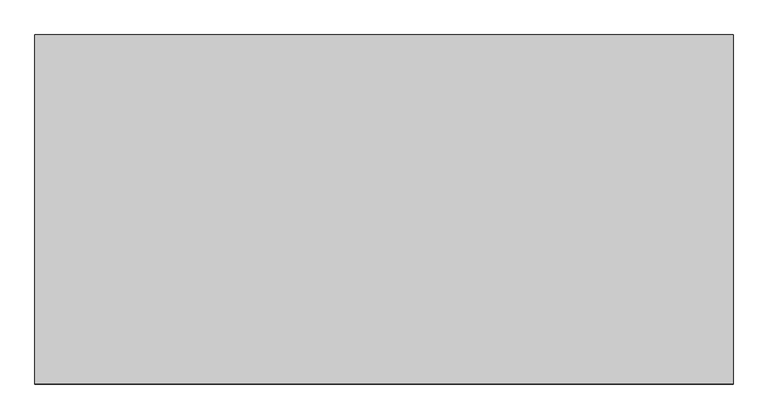
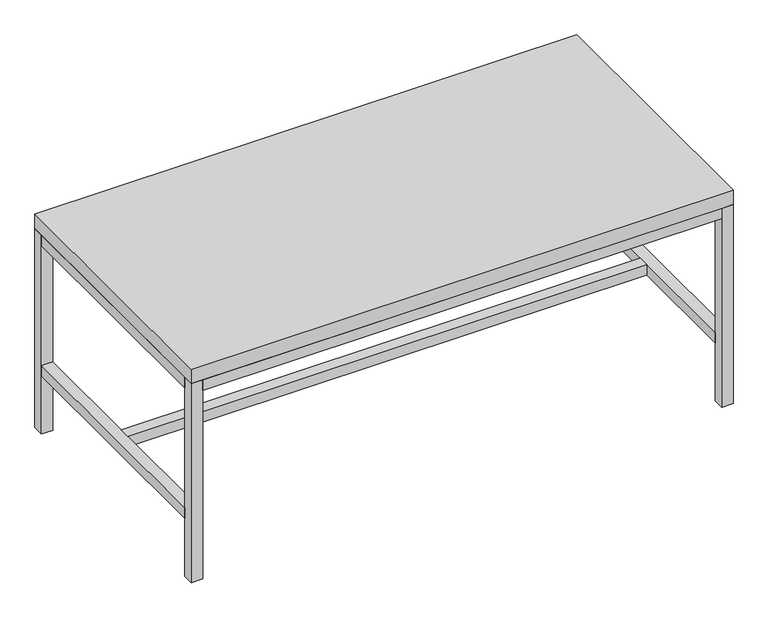
"""IFC4 building model written with IfcOpenShell, lengths in millimetres: furniture geometry."""

from ifc_helpers import new_model, si_unit, frame, origin, origin_with_axes, place, context, project, spatial, polyline, outline, extrude, source, transform, mapped, element, save


def furniture_f956a0ef(model_context):
    return source(origin(), model_context, "Body", "SweptSolid", [
        extrude(outline(polyline([(6642.1, 445.5973297), (6642.1, -468.8026703), (4813.3, -468.8026703), (4813.3, 445.5973297), (6642.1, 445.5973297)])), frame((0.0, 0.0, 711.2), z_axis=(0.0, 0.0, 1.0), x_axis=(1.0, 0.0, 0.0)), (0.0, 0.0, 1.0), 50.8),
        extrude(outline(polyline([(6604.0, 7.4473297), (6604.0, -30.6526703), (4851.4, -30.6526703), (4851.4, 7.4473297), (6604.0, 7.4473297)])), frame((0.0, 0.0, 206.375), z_axis=(0.0, 0.0, 1.0), x_axis=(1.0, 0.0, 0.0)), (0.0, 0.0, 1.0), 38.1),
        extrude(outline(polyline([(6604.0, 407.4973297), (4851.4, 407.4973297), (4851.4, 445.5973297), (6604.0, 445.5973297), (6604.0, 407.4973297)])), frame((0.0, 0.0, 673.1), z_axis=(0.0, 0.0, 1.0), x_axis=(1.0, 0.0, 0.0)), (0.0, 0.0, 1.0), 38.1),
        extrude(outline(polyline([(4851.4, -468.8026703), (4851.4, -430.7027578), (6604.0, -430.7027578), (6604.0, -468.8026703), (4851.4, -468.8026703)])), frame((0.0, 0.0, 673.1), z_axis=(0.0, 0.0, 1.0), x_axis=(1.0, 0.0, 0.0)), (0.0, 0.0, 1.0), 38.1),
        extrude(outline(polyline([(6604.0, -430.7027578), (6604.0, 407.4973297), (6642.1, 407.4973297), (6642.1, -430.7027578), (6604.0, -430.7027578)])), frame((0.0, 0.0, 673.1), z_axis=(0.0, 0.0, 1.0), x_axis=(1.0, 0.0, 0.0)), (0.0, 0.0, 1.0), 38.1),
        extrude(outline(polyline([(6604.0, -430.7027578), (6604.0, 407.4973297), (6642.1, 407.4973297), (6642.1, -430.7027578), (6604.0, -430.7027578)])), frame((0.0, 0.0, 206.375), z_axis=(0.0, 0.0, 1.0), x_axis=(1.0, 0.0, 0.0)), (0.0, 0.0, 1.0), 38.1),
        extrude(outline(polyline([(4813.3, -430.7027578), (4813.3, 407.4973297), (4851.4, 407.4973297), (4851.4, -430.7027578), (4813.3, -430.7027578)])), frame((0.0, 0.0, 206.375), z_axis=(0.0, 0.0, 1.0), x_axis=(1.0, 0.0, 0.0)), (0.0, 0.0, 1.0), 38.1),
        extrude(outline(polyline([(4813.3, -430.7027578), (4813.3, 407.4973297), (4851.4, 407.4973297), (4851.4, -430.7027578), (4813.3, -430.7027578)])), frame((0.0, 0.0, 673.1), z_axis=(0.0, 0.0, 1.0), x_axis=(1.0, 0.0, 0.0)), (0.0, 0.0, 1.0), 38.1),
        extrude(outline(polyline([(6642.1, 445.5973297), (6642.1, 407.4973297), (6604.0, 407.4973297), (6604.0, 445.5973297), (6642.1, 445.5973297)])), origin_with_axes(), (0.0, 0.0, 1.0), 711.2),
        extrude(outline(polyline([(6642.1, -430.7027578), (6642.1, -468.8026703), (6604.0, -468.8026703), (6604.0, -430.7027578), (6642.1, -430.7027578)])), origin_with_axes(), (0.0, 0.0, 1.0), 711.2),
        extrude(outline(polyline([(4851.4, -430.7027578), (4851.4, -468.8026703), (4813.3, -468.8026703), (4813.3, -430.7027578), (4851.4, -430.7027578)])), origin_with_axes(), (0.0, 0.0, 1.0), 711.2),
        extrude(outline(polyline([(4851.4, 445.5973297), (4851.4, 407.4973297), (4813.3, 407.4973297), (4813.3, 445.5973297), (4851.4, 445.5973297)])), origin_with_axes(), (0.0, 0.0, 1.0), 711.2),
    ])


if __name__ == "__main__":
    model = new_model("IFC4")
    model_context = context("Model", 3, world=origin())
    ifc_project = project(units=[si_unit("LENGTHUNIT", "METRE", prefix="MILLI")], contexts=[model_context])
    site = spatial("IfcSite", under=ifc_project)
    building = spatial("IfcBuilding", under=site)
    placement = place(None, origin())
    furniture_shape = furniture_f956a0ef(model_context)
    element("IfcFurniture", 1, at=placement, inside=building, context=model_context, shape_type="MappedRepresentation", body=[
        mapped(furniture_shape, transform((0.0, 0.0, 0.0), x_axis=(1.0, 0.0, 0.0), y_axis=(0.0, 1.0, 0.0), z_axis=(0.0, 0.0, 1.0))),
    ])
    save(model, "model.ifc")
